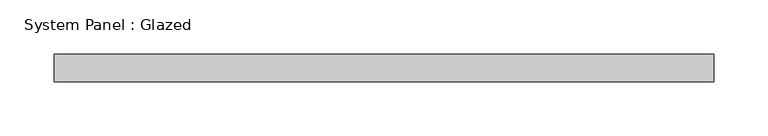
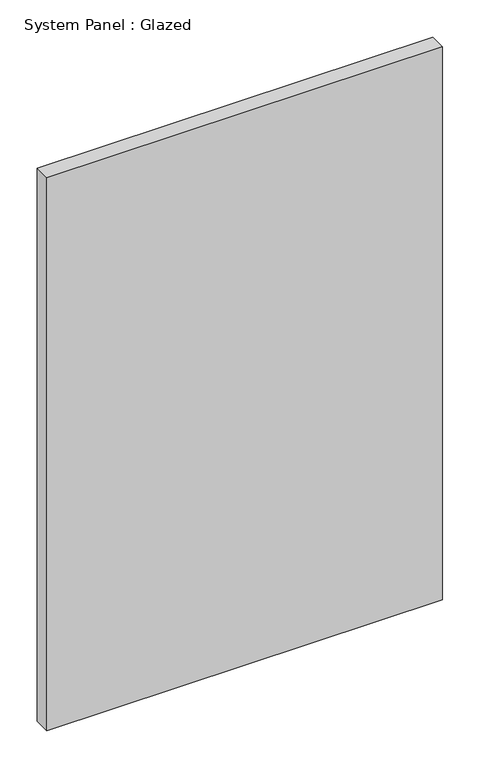
"""IFC4 building model written with IfcOpenShell, lengths in millimetres: plate geometry, System Panel : Glazed."""

from ifc_helpers import new_model, si_unit, origin, origin_with_axes, place, context, project, spatial, polyline, outline, extrude, source, transform, mapped, element, save


def system_panel_glazed_a0688683(model_context):
    return source(origin(), model_context, "Body", "SweptSolid", [
        extrude(outline(polyline([(304.75, 19.05), (-304.75, 19.05), (-304.75, 44.45), (304.75, 44.45), (304.75, 19.05)])), origin_with_axes(), (0.0, 0.0, 1.0), 900.0),
    ])


if __name__ == "__main__":
    model = new_model("IFC4")
    model_context = context("Model", 3, world=origin())
    ifc_project = project(units=[si_unit("LENGTHUNIT", "METRE", prefix="MILLI")], contexts=[model_context])
    site = spatial("IfcSite", under=ifc_project)
    building = spatial("IfcBuilding", under=site)
    placement = place(None, origin())
    system_panel_glazed_shape = system_panel_glazed_a0688683(model_context)
    element("IfcPlate", 1, ObjectType="System Panel : Glazed", at=placement, inside=building, context=model_context, shape_type="MappedRepresentation", body=[
        mapped(system_panel_glazed_shape, transform((0.0, 0.0, 0.0), x_axis=(1.0, 0.0, 0.0), y_axis=(0.0, 1.0, 0.0), z_axis=(0.0, 0.0, 1.0))),
    ])
    save(model, "model.ifc")
